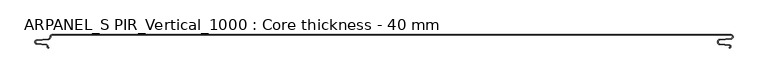
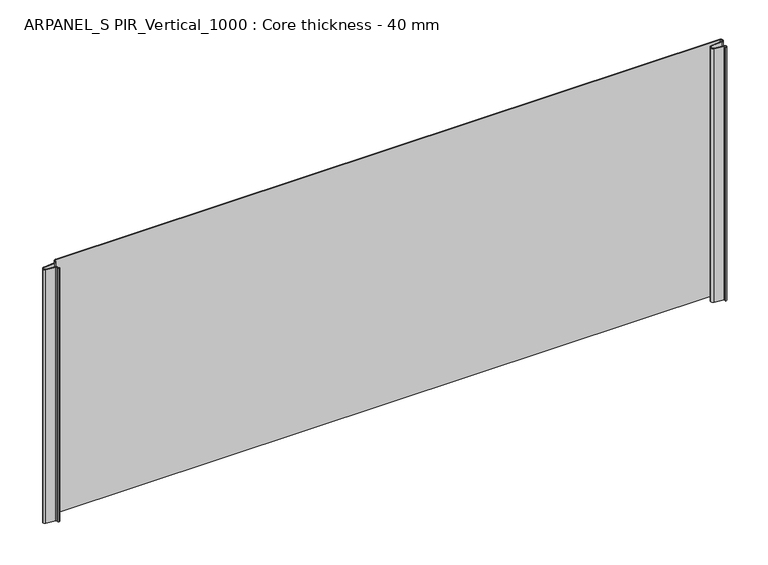
"""IFC4 building model written with IfcOpenShell, lengths in millimetres: plate geometry, ARPANEL_S PIR_Vertical_1000 : Core thickness - 40 mm."""

from ifc_helpers import new_model, si_unit, frame, origin, place, context, project, spatial, polyline, circle_curve, source, transform, mapped, element, save
from ifc_brep_helpers import plane_surface, cylinder_surface, revolved_surface, advanced_brep


def arpanel_s_pir_vertical_1000_core_thickness_40_mm_7fa5a5c6(model_context):
    return source(origin(), model_context, "Body", "AdvancedBrep", [
        advanced_brep(
        [(-474.8000005, -0.8003051, 0.0), (-477.1942726, -3.3660185, 0.0), (-480.1779769, -6.8790665, 0.0), (-497.1334653, -8.5415667, 0.0), (-499.1999998, -10.8223285, 0.0), (-497.1334653, -13.1030903, 0.0), (-483.5415123, -14.4357929, 0.0), (-481.1952279, -17.0233841, 0.0), (-481.1952279, -18.1003051, 0.0), (-480.5952279, -18.7003051, 0.0), (-479.4952279, -18.7003051, 0.0), (-479.4952279, -19.5003051, 0.0), (-480.5952279, -19.5003051, 0.0), (-481.9952279, -18.1003051, 0.0), (-481.9952279, -17.0233841, 0.0), (-483.6195786, -15.2319748, 0.0), (-497.2115316, -13.8992722, 0.0), (-500.0, -10.8223285, 0.0), (-497.2115316, -7.7453847, 0.0), (-480.2560432, -6.0828846, 0.0), (-478.005967, -3.4221979, 0.0), (-474.8000005, -0.0003051, 0.0), (516.0099318, -0.0003051, 0.0), (516.3124388, -6.18551, 0.0), (499.8171831, -7.802884, 0.0), (497.1101218, -10.8223285, 0.0), (499.8171831, -13.8417729, 0.0), (513.9489034, -15.2274002, 0.0), (513.734221, -19.6169005, 0.0), (513.734221, -18.8169005, 0.0), (513.8708371, -16.0235822, 0.0), (499.7391168, -14.6379549, 0.0), (496.3100818, -10.8223285, 0.0), (499.7391168, -7.0067021, 0.0), (516.2343725, -5.3893281, 0.0), (516.0099318, -0.8003051, 0.0), (-474.8000005, -0.8, 400.0), (516.0099318, -0.8, 400.0), (516.2343725, -5.3893281, 400.0), (499.7391168, -7.0067021, 400.0), (496.3100818, -10.8223285, 400.0), (499.7391168, -14.6379549, 400.0), (513.8708371, -16.0235822, 400.0), (513.734221, -18.8169005, 400.0), (513.734221, -19.6169005, 400.0), (513.9489034, -15.2274002, 400.0), (499.8171831, -13.8417729, 400.0), (497.1101218, -10.8223285, 400.0), (499.8171831, -7.802884, 400.0), (516.3124388, -6.18551, 400.0), (516.0099318, -0.0003051, 400.0), (-474.8000005, -0.0003051, 400.0), (-477.9923633, -3.4212563, 400.0), (-480.2560432, -6.0828846, 400.0), (-497.2115316, -7.7453847, 400.0), (-500.0, -10.8223285, 400.0), (-497.2115316, -13.8992722, 400.0), (-483.6195786, -15.2319748, 400.0), (-481.9952279, -17.0233841, 400.0), (-481.9952279, -18.1003051, 400.0), (-480.5952279, -19.5003051, 400.0), (-479.4952279, -19.5003051, 400.0), (-479.4952279, -18.7003051, 400.0), (-480.5952279, -18.7003051, 400.0), (-481.1952279, -18.1003051, 400.0), (-481.1952279, -17.0233841, 400.0), (-483.5415123, -14.4357929, 400.0), (-497.1334653, -13.1030903, 400.0), (-499.1999998, -10.8223285, 400.0), (-497.1334653, -8.5415667, 400.0), (-480.1779769, -6.8790665, 400.0), (-477.2078763, -3.3669601, 400.0)],
        [
            (0, 1, circle_curve(frame((-474.8000005, -3.2003051, 0.0), z_axis=(0.0, 0.0, 1.0), x_axis=(1.0, 0.0, 0.0)), 2.4)),
            (1, 2, circle_curve(frame((-480.5000005, -3.5948161, 0.0), z_axis=(0.0, 0.0, -1.0), x_axis=(1.0, 0.0, 0.0)), 3.3)),
            (2, 3),
            (3, 4, circle_curve(frame((-496.9100005, -10.8206374, 0.0), z_axis=(0.0, 0.0, 1.0), x_axis=(1.0, 0.0, 0.0)), 2.29)),
            (4, 5, circle_curve(frame((-496.9100005, -10.8240195, 0.0), z_axis=(0.0, 0.0, 1.0), x_axis=(1.0, 0.0, 0.0)), 2.29)),
            (5, 6),
            (6, 7, circle_curve(frame((-483.7952279, -17.0233841, 0.0), z_axis=(0.0, 0.0, -1.0), x_axis=(1.0, 0.0, 0.0)), 2.6)),
            (7, 8),
            (8, 9, circle_curve(frame((-480.5952279, -18.1003051, 0.0), z_axis=(0.0, 0.0, 1.0), x_axis=(1.0, 0.0, 0.0)), 0.6)),
            (9, 10),
            (10, 11),
            (11, 12),
            (12, 13, circle_curve(frame((-480.5952279, -18.1003051, 0.0), z_axis=(0.0, 0.0, -1.0), x_axis=(1.0, 0.0, 0.0)), 1.4)),
            (13, 14),
            (14, 15, circle_curve(frame((-483.7952279, -17.0233841, 0.0), z_axis=(0.0, 0.0, 1.0), x_axis=(1.0, 0.0, 0.0)), 1.8)),
            (15, 16),
            (16, 17, circle_curve(frame((-496.9100005, -10.8240195, 0.0), z_axis=(0.0, 0.0, -1.0), x_axis=(1.0, 0.0, 0.0)), 3.09)),
            (17, 18, circle_curve(frame((-496.9100005, -10.8206374, 0.0), z_axis=(0.0, 0.0, -1.0), x_axis=(1.0, 0.0, 0.0)), 3.09)),
            (18, 19),
            (19, 20, circle_curve(frame((-480.5000005, -3.5948161, 0.0), z_axis=(0.0, 0.0, 1.0), x_axis=(1.0, 0.0, 0.0)), 2.5)),
            (20, 21, circle_curve(frame((-474.8000005, -3.2003051, 0.0), z_axis=(0.0, 0.0, -1.0), x_axis=(1.0, 0.0, 0.0)), 3.2)),
            (21, 22),
            (22, 23, circle_curve(frame((516.0099318, -3.1003051, 0.0), z_axis=(0.0, 0.0, -1.0), x_axis=(1.0, 0.0, 0.0)), 3.1)),
            (23, 24),
            (24, 25, circle_curve(frame((500.1099318, -10.7885662, 0.0), z_axis=(0.0, 0.0, 1.0), x_axis=(1.0, 0.0, 0.0)), 3.0)),
            (25, 26, circle_curve(frame((500.1099318, -10.8560907, 0.0), z_axis=(0.0, 0.0, 1.0), x_axis=(1.0, 0.0, 0.0)), 3.0)),
            (26, 27),
            (27, 28, circle_curve(frame((513.734221, -17.4169005, 0.0), z_axis=(0.0, 0.0, -1.0), x_axis=(1.0, 0.0, 0.0)), 2.2)),
            (28, 29),
            (29, 30, circle_curve(frame((513.734221, -17.4169005, 0.0), z_axis=(0.0, 0.0, 1.0), x_axis=(1.0, 0.0, 0.0)), 1.4)),
            (30, 31),
            (31, 32, circle_curve(frame((500.1099318, -10.8560907, 0.0), z_axis=(0.0, 0.0, -1.0), x_axis=(1.0, 0.0, 0.0)), 3.8)),
            (32, 33, circle_curve(frame((500.1099318, -10.7885662, 0.0), z_axis=(0.0, 0.0, -1.0), x_axis=(1.0, 0.0, 0.0)), 3.8)),
            (33, 34),
            (34, 35, circle_curve(frame((516.0099318, -3.1003051, 0.0), z_axis=(0.0, 0.0, 1.0), x_axis=(1.0, 0.0, 0.0)), 2.3)),
            (35, 0),
            (36, 37),
            (37, 38, circle_curve(frame((516.0099318, -3.1003051, 400.0), z_axis=(0.0, 0.0, -1.0), x_axis=(1.0, 0.0, 0.0)), 2.3)),
            (38, 39),
            (39, 40, circle_curve(frame((500.1099318, -10.7885662, 400.0), z_axis=(0.0, 0.0, 1.0), x_axis=(1.0, 0.0, 0.0)), 3.8)),
            (40, 41, circle_curve(frame((500.1099318, -10.8560907, 400.0), z_axis=(0.0, 0.0, 1.0), x_axis=(1.0, 0.0, 0.0)), 3.8)),
            (41, 42),
            (42, 43, circle_curve(frame((513.734221, -17.4169005, 400.0), z_axis=(0.0, 0.0, -1.0), x_axis=(1.0, 0.0, 0.0)), 1.4)),
            (43, 44),
            (44, 45, circle_curve(frame((513.734221, -17.4169005, 400.0), z_axis=(0.0, 0.0, 1.0), x_axis=(1.0, 0.0, 0.0)), 2.2)),
            (45, 46),
            (46, 47, circle_curve(frame((500.1099318, -10.8560907, 400.0), z_axis=(0.0, 0.0, -1.0), x_axis=(1.0, 0.0, 0.0)), 3.0)),
            (47, 48, circle_curve(frame((500.1099318, -10.7885662, 400.0), z_axis=(0.0, 0.0, -1.0), x_axis=(1.0, 0.0, 0.0)), 3.0)),
            (48, 49),
            (49, 50, circle_curve(frame((516.0099318, -3.1003051, 400.0), z_axis=(0.0, 0.0, 1.0), x_axis=(1.0, 0.0, 0.0)), 3.1)),
            (50, 51),
            (51, 52, circle_curve(frame((-474.8000005, -3.2003051, 400.0), z_axis=(0.0, 0.0, 1.0), x_axis=(1.0, 0.0, 0.0)), 3.2)),
            (52, 53, circle_curve(frame((-480.5000005, -3.5948161, 400.0), z_axis=(0.0, 0.0, -1.0), x_axis=(1.0, 0.0, 0.0)), 2.5)),
            (53, 54),
            (54, 55, circle_curve(frame((-496.9100005, -10.8206374, 400.0), z_axis=(0.0, 0.0, 1.0), x_axis=(1.0, 0.0, 0.0)), 3.09)),
            (55, 56, circle_curve(frame((-496.9100005, -10.8240195, 400.0), z_axis=(0.0, 0.0, 1.0), x_axis=(1.0, 0.0, 0.0)), 3.09)),
            (56, 57),
            (57, 58, circle_curve(frame((-483.7952279, -17.0233841, 400.0), z_axis=(0.0, 0.0, -1.0), x_axis=(1.0, 0.0, 0.0)), 1.8)),
            (58, 59),
            (59, 60, circle_curve(frame((-480.5952279, -18.1003051, 400.0), z_axis=(0.0, 0.0, 1.0), x_axis=(1.0, 0.0, 0.0)), 1.4)),
            (60, 61),
            (61, 62),
            (62, 63),
            (63, 64, circle_curve(frame((-480.5952279, -18.1003051, 400.0), z_axis=(0.0, 0.0, -1.0), x_axis=(1.0, 0.0, 0.0)), 0.6)),
            (64, 65),
            (65, 66, circle_curve(frame((-483.7952279, -17.0233841, 400.0), z_axis=(0.0, 0.0, 1.0), x_axis=(1.0, 0.0, 0.0)), 2.6)),
            (66, 67),
            (67, 68, circle_curve(frame((-496.9100005, -10.8240195, 400.0), z_axis=(0.0, 0.0, -1.0), x_axis=(1.0, 0.0, 0.0)), 2.29)),
            (68, 69, circle_curve(frame((-496.9100005, -10.8206374, 400.0), z_axis=(0.0, 0.0, -1.0), x_axis=(1.0, 0.0, 0.0)), 2.29)),
            (69, 70),
            (70, 71, circle_curve(frame((-480.5000005, -3.5948161, 400.0), z_axis=(0.0, 0.0, 1.0), x_axis=(1.0, 0.0, 0.0)), 3.3)),
            (71, 36, circle_curve(frame((-474.8000005, -3.2003051, 400.0), z_axis=(0.0, 0.0, -1.0), x_axis=(1.0, 0.0, 0.0)), 2.4)),
            (35, 37),
            (36, 0),
            (71, 1),
            (70, 2),
            (69, 3),
            (68, 4),
            (67, 5),
            (66, 6),
            (65, 7),
            (64, 8),
            (63, 9),
            (62, 10),
            (61, 11),
            (60, 12),
            (59, 13),
            (58, 14),
            (57, 15),
            (56, 16),
            (55, 17),
            (54, 18),
            (53, 19),
            (52, 20),
            (51, 21),
            (50, 22),
            (49, 23),
            (48, 24),
            (47, 25),
            (46, 26),
            (45, 27),
            (44, 28),
            (43, 29),
            (42, 30),
            (41, 31),
            (40, 32),
            (39, 33),
            (38, 34),
        ],
        [
            plane_surface(frame((-500.0, 0.0, 0.0), z_axis=(0.0, 0.0, -1.0), x_axis=(0.0, -1.0, 0.0))),
            plane_surface(frame((-500.0, 0.0, 400.0), z_axis=(0.0, 0.0, 1.0), x_axis=(0.0, -1.0, 0.0))),
            plane_surface(frame((516.0099318, -0.8, 0.0), z_axis=(0.0, -1.0, 0.0), x_axis=(0.0, 0.0, 1.0))),
            revolved_surface(polyline([(-472.40000050000003, -3.2003051, 400.0), (-472.40000050000003, -3.2003051, 0.0)]), (-474.8000005, -3.2003051, 0.0), (0.0, 0.0, 1.0)),
            cylinder_surface(frame((-480.5000005, -3.5948161, 0.0), z_axis=(0.0, 0.0, -1.0), x_axis=(1.0, 0.0, 0.0)), 3.3),
            plane_surface(frame((-480.1779769, -6.8790665, 0.0), z_axis=(0.09758289975914114, -0.9952273999818321, 0.0), x_axis=(0.0, 0.0, 1.0))),
            revolved_surface(polyline([(-494.6200005, -10.8206374, 400.0), (-494.6200005, -10.8206374, 0.0)]), (-496.9100005, -10.8206374, 0.0), (0.0, 0.0, 1.0)),
            revolved_surface(polyline([(-494.6200005, -10.8240195, 400.0), (-494.6200005, -10.8240195, 0.0)]), (-496.9100005, -10.8240195, 0.0), (0.0, 0.0, 1.0)),
            plane_surface(frame((-497.1334653, -13.1030903, 0.0), z_axis=(0.09758289975915029, 0.9952273999818312, 0.0), x_axis=(0.0, 0.0, 1.0))),
            cylinder_surface(frame((-483.7952279, -17.0233841, 0.0), z_axis=(0.0, 0.0, -1.0), x_axis=(1.0, 0.0, 0.0)), 2.6),
            plane_surface(frame((-481.1952279, -17.0233841, 0.0), z_axis=(1.0, 0.0, 0.0), x_axis=(0.0, 0.0, 1.0))),
            revolved_surface(polyline([(-479.9952279, -18.1003051, 400.0), (-479.9952279, -18.1003051, 0.0)]), (-480.5952279, -18.1003051, 0.0), (0.0, 0.0, 1.0)),
            plane_surface(frame((-480.5952279, -18.7003051, 0.0), z_axis=(0.0, 1.0, 0.0), x_axis=(0.0, 0.0, 1.0))),
            plane_surface(frame((-479.4952279, -18.7003051, 0.0), z_axis=(1.0, 0.0, 0.0), x_axis=(0.0, 0.0, 1.0))),
            plane_surface(frame((-479.4952279, -19.5003051, 0.0), z_axis=(0.0, -1.0, 0.0), x_axis=(0.0, 0.0, 1.0))),
            cylinder_surface(frame((-480.5952279, -18.1003051, 0.0), z_axis=(0.0, 0.0, -1.0), x_axis=(1.0, 0.0, 0.0)), 1.4),
            plane_surface(frame((-481.9952279, -18.1003051, 0.0), z_axis=(-1.0, 0.0, 0.0), x_axis=(0.0, 0.0, 1.0))),
            revolved_surface(polyline([(-481.9952279, -17.0233841, 400.0), (-481.9952279, -17.0233841, 0.0)]), (-483.7952279, -17.0233841, 0.0), (0.0, 0.0, 1.0)),
            plane_surface(frame((-483.6195786, -15.2319748, 0.0), z_axis=(-0.09758289975915033, -0.9952273999818312, 0.0), x_axis=(0.0, 0.0, 1.0))),
            cylinder_surface(frame((-496.9100005, -10.8240195, 0.0), z_axis=(0.0, 0.0, -1.0), x_axis=(1.0, 0.0, 0.0)), 3.09),
            cylinder_surface(frame((-496.9100005, -10.8206374, 0.0), z_axis=(0.0, 0.0, -1.0), x_axis=(1.0, 0.0, 0.0)), 3.09),
            plane_surface(frame((-497.2115316, -7.7453847, 0.0), z_axis=(-0.09758289975914118, 0.9952273999818321, 0.0), x_axis=(0.0, 0.0, 1.0))),
            revolved_surface(polyline([(-478.0000005, -3.5948161, 400.0), (-478.0000005, -3.5948161, 0.0)]), (-480.5000005, -3.5948161, 0.0), (0.0, 0.0, 1.0)),
            cylinder_surface(frame((-474.8000005, -3.2003051, 0.0), z_axis=(0.0, 0.0, -1.0), x_axis=(1.0, 0.0, 0.0)), 3.2),
            plane_surface(frame((-474.8000005, -0.0003051, 0.0), z_axis=(0.0, 1.0, 0.0), x_axis=(0.0, 0.0, 1.0))),
            cylinder_surface(frame((516.0099318, -3.1003051, 0.0), z_axis=(0.0, 0.0, -1.0), x_axis=(1.0, 0.0, 0.0)), 3.1),
            plane_surface(frame((516.3124388, -6.18551, 0.0), z_axis=(0.09758289975914465, -0.9952273999818317, 0.0), x_axis=(0.0, 0.0, 1.0))),
            revolved_surface(polyline([(503.1099318, -10.7885662, 400.0), (503.1099318, -10.7885662, 0.0)]), (500.1099318, -10.7885662, 0.0), (0.0, 0.0, 1.0)),
            revolved_surface(polyline([(503.1099318, -10.8560907, 400.0), (503.1099318, -10.8560907, 0.0)]), (500.1099318, -10.8560907, 0.0), (0.0, 0.0, 1.0)),
            plane_surface(frame((499.8171831, -13.8417729, 0.0), z_axis=(0.0975828997591685, 0.9952273999818294, 0.0), x_axis=(0.0, 0.0, 1.0))),
            cylinder_surface(frame((513.734221, -17.4169005, 0.0), z_axis=(0.0, 0.0, -1.0), x_axis=(1.0, 0.0, 0.0)), 2.2),
            plane_surface(frame((513.734221, -19.6169005, 0.0), z_axis=(-1.0, 0.0, 0.0), x_axis=(0.0, 0.0, 1.0))),
            revolved_surface(polyline([(515.134221, -17.4169005, 400.0), (515.134221, -17.4169005, 0.0)]), (513.734221, -17.4169005, 0.0), (0.0, 0.0, 1.0)),
            plane_surface(frame((513.8708371, -16.0235822, 0.0), z_axis=(-0.09758289975916853, -0.9952273999818294, 0.0), x_axis=(0.0, 0.0, 1.0))),
            cylinder_surface(frame((500.1099318, -10.8560907, 0.0), z_axis=(0.0, 0.0, -1.0), x_axis=(1.0, 0.0, 0.0)), 3.8),
            cylinder_surface(frame((500.1099318, -10.7885662, 0.0), z_axis=(0.0, 0.0, -1.0), x_axis=(1.0, 0.0, 0.0)), 3.8),
            plane_surface(frame((499.7391168, -7.0067021, 0.0), z_axis=(-0.09758289975914465, 0.9952273999818317, 0.0), x_axis=(0.0, 0.0, 1.0))),
            revolved_surface(polyline([(518.3099318, -3.1003051, 400.0), (518.3099318, -3.1003051, 0.0)]), (516.0099318, -3.1003051, 0.0), (0.0, 0.0, 1.0)),
        ],
        [
            (0, [[1, 2, 3, 4, 5, 6, 7, 8, 9, 10, 11, 12, 13, 14, 15, 16, 17, 18, 19, 20, 21, 22, 23, 24, 25, 26, 27, 28, 29, 30, 31, 32, 33, 34, 35, 36]]),
            (1, [[37, 38, 39, 40, 41, 42, 43, 44, 45, 46, 47, 48, 49, 50, 51, 52, 53, 54, 55, 56, 57, 58, 59, 60, 61, 62, 63, 64, 65, 66, 67, 68, 69, 70, 71, 72]]),
            (2, [[-36, 73, -37, 74]]),
            (3, [[-1, -74, -72, 75]]),
            (4, [[-2, -75, -71, 76]]),
            (5, [[-3, -76, -70, 77]]),
            (6, [[-4, -77, -69, 78]]),
            (7, [[-5, -78, -68, 79]]),
            (8, [[-6, -79, -67, 80]]),
            (9, [[-7, -80, -66, 81]]),
            (10, [[-8, -81, -65, 82]]),
            (11, [[-9, -82, -64, 83]]),
            (12, [[-10, -83, -63, 84]]),
            (13, [[-11, -84, -62, 85]]),
            (14, [[-12, -85, -61, 86]]),
            (15, [[-13, -86, -60, 87]]),
            (16, [[-14, -87, -59, 88]]),
            (17, [[-15, -88, -58, 89]]),
            (18, [[-16, -89, -57, 90]]),
            (19, [[-17, -90, -56, 91]]),
            (20, [[-18, -91, -55, 92]]),
            (21, [[-19, -92, -54, 93]]),
            (22, [[-20, -93, -53, 94]]),
            (23, [[-21, -94, -52, 95]]),
            (24, [[-22, -95, -51, 96]]),
            (25, [[-23, -96, -50, 97]]),
            (26, [[-24, -97, -49, 98]]),
            (27, [[-25, -98, -48, 99]]),
            (28, [[-26, -99, -47, 100]]),
            (29, [[-27, -100, -46, 101]]),
            (30, [[-28, -101, -45, 102]]),
            (31, [[-29, -102, -44, 103]]),
            (32, [[-30, -103, -43, 104]]),
            (33, [[-31, -104, -42, 105]]),
            (34, [[-32, -105, -41, 106]]),
            (35, [[-33, -106, -40, 107]]),
            (36, [[-34, -107, -39, 108]]),
            (37, [[-35, -108, -38, -73]]),
        ],
    ),
    ])


if __name__ == "__main__":
    model = new_model("IFC4")
    model_context = context("Model", 3, world=origin())
    ifc_project = project(units=[si_unit("LENGTHUNIT", "METRE", prefix="MILLI")], contexts=[model_context])
    site = spatial("IfcSite", under=ifc_project)
    building = spatial("IfcBuilding", under=site)
    placement = place(None, origin())
    arpanel_s_pir_vertical_1000_core_thickness_40_mm_shape = arpanel_s_pir_vertical_1000_core_thickness_40_mm_7fa5a5c6(model_context)
    element("IfcPlate", 1, ObjectType="ARPANEL_S PIR_Vertical_1000 : Core thickness - 40 mm", at=placement, inside=building, context=model_context, shape_type="MappedRepresentation", body=[
        mapped(arpanel_s_pir_vertical_1000_core_thickness_40_mm_shape, transform((0.0, 0.0, 0.0), x_axis=(1.0, 0.0, 0.0), y_axis=(0.0, 1.0, 0.0), z_axis=(0.0, 0.0, 1.0))),
    ])
    save(model, "model.ifc")
